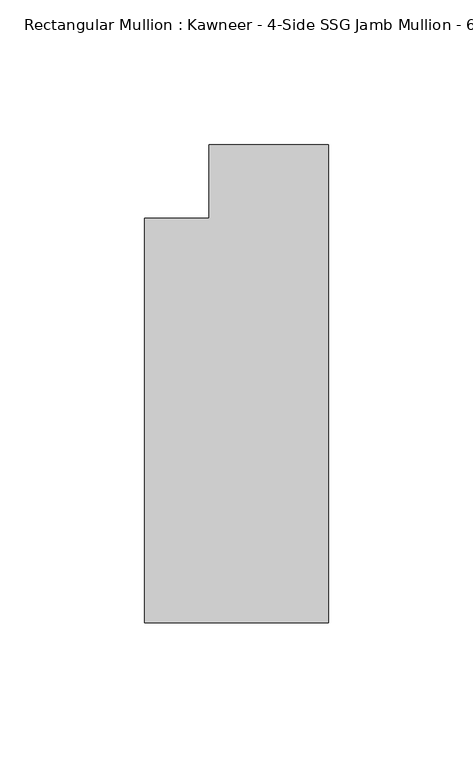
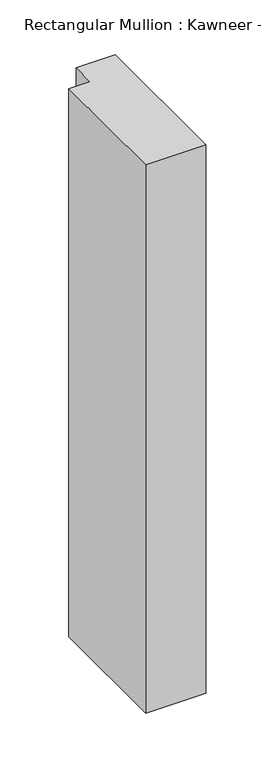
"""IFC4 building model written with IfcOpenShell, lengths in millimetres: member geometry."""

import ifcopenshell
import ifcopenshell.guid

model = None  # the IFC model being written
_history = None  # IfcOwnerHistory: only IFC2X3 demands one
_inside = {}  # id of a spatial element -> (the spatial element, [elements in it])
_under = {}  # id of a project, library or spatial element -> (it, [spatial elements below it])
_declared = {}  # id of a project -> (the project, [libraries it declares])
_typed = {}  # id of a type object -> (the type object, [elements of that type])
_made_of = {}  # id of a material, layer set ... -> (it, [elements and type objects made of it])


def new_model(schema):
    """Start an empty IFC model of exactly this schema.

    Asked for "IFC4X3", IfcOpenShell would pick the latest addendum, in which some entities
    have other attributes; the version numbers below select the first issue.
    IFC2X3 requires an IfcOwnerHistory on every rooted entity: one is made here for all.
    """
    global model, _history
    if schema == "IFC4X3":
        model = ifcopenshell.file(schema_version=(4, 3, 0, 0))
    else:
        model = ifcopenshell.file(schema=schema)
    _inside.clear()
    _under.clear()
    _declared.clear()
    _typed.clear()
    _made_of.clear()
    _history = None
    if model.schema == "IFC2X3":
        org = make("IfcOrganization", Name="unknown")
        user = make(
            "IfcPersonAndOrganization",
            ThePerson=make("IfcPerson", FamilyName="unknown"),
            TheOrganization=org,
        )
        app = make(
            "IfcApplication",
            ApplicationDeveloper=org,
            Version="unknown",
            ApplicationFullName="unknown",
            ApplicationIdentifier="unknown",
        )
        _history = make(
            "IfcOwnerHistory",
            OwningUser=user,
            OwningApplication=app,
            ChangeAction="ADDED",
            CreationDate=0,
        )
    return model


def make(cls, **values):
    """One entity of the class cls with the attributes given. An attribute that is None is left unset."""
    return model.create_entity(
        cls, **{name: value for name, value in values.items() if value is not None}
    )


def rooted(cls, **values):
    """An entity with a GlobalId (a new one), such as an element, a storey or a relation."""
    return make(cls, GlobalId=ifcopenshell.guid.new(), OwnerHistory=_history, **values)


def si_unit(unit_type, name, prefix=None):
    """IfcSIUnit, for example si_unit("LENGTHUNIT", "METRE", prefix="MILLI")."""
    return make("IfcSIUnit", UnitType=unit_type, Prefix=prefix, Name=name)


def assignment(units):
    """IfcUnitAssignment: the units of a project."""
    return None if units is None else make("IfcUnitAssignment", Units=units)


def point(xyz):
    """IfcCartesianPoint."""
    return None if xyz is None else make("IfcCartesianPoint", Coordinates=xyz)


def direction(xyz):
    """IfcDirection."""
    return None if xyz is None else make("IfcDirection", DirectionRatios=xyz)


def frame(location, z_axis=None, x_axis=None):
    """IfcAxis2Placement3D, a coordinate frame: its origin and axes. An axis left out is left unset."""
    return make(
        "IfcAxis2Placement3D",
        Location=point(location),
        Axis=direction(z_axis),
        RefDirection=direction(x_axis),
    )


def origin():
    """The frame at (0, 0, 0) with its axes left unset."""
    return frame((0.0, 0.0, 0.0))


def place(relative_to, where):
    """IfcLocalPlacement: puts the frame where relative to a parent placement (None: the world)."""
    return make(
        "IfcLocalPlacement", PlacementRelTo=relative_to, RelativePlacement=where
    )


def context(
    kind, dimensions, precision=None, world=None, true_north=None, identifier=None
):
    """IfcGeometricRepresentationContext, for example the 3D "Model" context."""
    return make(
        "IfcGeometricRepresentationContext",
        ContextIdentifier=identifier,
        ContextType=kind,
        CoordinateSpaceDimension=dimensions,
        Precision=precision,
        WorldCoordinateSystem=world,
        TrueNorth=true_north,
    )


def project(units=None, contexts=None):
    """IfcProject with its units and contexts."""
    return rooted(
        "IfcProject",
        Name="project",
        RepresentationContexts=contexts,
        UnitsInContext=assignment(units),
    )


def spatial(cls, under=None, at=None, **own):
    """A site, building, storey or space (cls), placed at a placement, below another one or the project."""
    s = rooted(cls, ObjectPlacement=at, **own)
    if under is not None:
        _under.setdefault(under.id(), (under, []))[1].append(s)
    return s


def polyline(points):
    """IfcPolyline through the points."""
    return make("IfcPolyline", Points=[point(p) for p in points])


def outline(outer, holes=None, kind="AREA"):
    """IfcArbitraryClosedProfileDef: a profile drawn as a closed curve; with holes, ...WithVoids."""
    if holes is None:
        return make("IfcArbitraryClosedProfileDef", ProfileType=kind, OuterCurve=outer)
    return make(
        "IfcArbitraryProfileDefWithVoids",
        ProfileType=kind,
        OuterCurve=outer,
        InnerCurves=holes,
    )


def extrude(swept, where, along, depth):
    """IfcExtrudedAreaSolid: the profile swept, set in the frame where, extruded along a direction by depth."""
    return make(
        "IfcExtrudedAreaSolid",
        SweptArea=swept,
        Position=where,
        ExtrudedDirection=direction(along),
        Depth=depth,
    )


def shape(context_of_items, identifier, shape_type, items):
    """IfcShapeRepresentation: the items that make up one representation, for example the "Body"."""
    return make(
        "IfcShapeRepresentation",
        ContextOfItems=context_of_items,
        RepresentationIdentifier=identifier,
        RepresentationType=shape_type,
        Items=items,
    )


def source(mapping_origin, context_of_items, identifier, shape_type, items):
    """IfcRepresentationMap: a shape defined once, which mapped items show again and again."""
    return make(
        "IfcRepresentationMap",
        MappingOrigin=mapping_origin,
        MappedRepresentation=shape(context_of_items, identifier, shape_type, items),
    )


def transform(
    local_origin,
    x_axis=None,
    y_axis=None,
    z_axis=None,
    scale=None,
    scale2=None,
    scale3=None,
    uniform=True,
):
    """IfcCartesianTransformationOperator3D, or its non-uniform kind. x_axis, y_axis, z_axis: its Axis1, 2, 3."""
    if uniform:
        return make(
            "IfcCartesianTransformationOperator3D",
            Axis1=direction(x_axis),
            Axis2=direction(y_axis),
            LocalOrigin=point(local_origin),
            Scale=scale,
            Axis3=direction(z_axis),
        )
    return make(
        "IfcCartesianTransformationOperator3DnonUniform",
        Axis1=direction(x_axis),
        Axis2=direction(y_axis),
        LocalOrigin=point(local_origin),
        Scale=scale,
        Axis3=direction(z_axis),
        Scale2=scale2,
        Scale3=scale3,
    )


def mapped(mapping_source, mapping_target):
    """IfcMappedItem: shows the shape of a source again, moved by a transform."""
    return make(
        "IfcMappedItem", MappingSource=mapping_source, MappingTarget=mapping_target
    )


def made_of(thing, what):
    """Note that an element or type object is made of a material, layer set ...; save() writes the relation."""
    if what is not None:
        _made_of.setdefault(what.id(), (what, []))[1].append(thing)
    return thing


def element(
    cls,
    number,
    at=None,
    inside=None,
    cuts=None,
    type_object=None,
    material=None,
    context=None,
    identifier="Body",
    shape_type=None,
    held_by="IfcProductDefinitionShape",
    body=None,
    shapes=None,
    **own,
):
    """One element of the class cls, such as IfcWall. Its Tag is "e" and its number.

    at: its placement. inside: the storey or other place that contains it. cuts: it is an
    opening in that element (IfcRelVoidsElement). A single representation is given by context,
    identifier, shape_type and body (its items); several are given by shapes. held_by: the class
    of the entity that holds the representations. save() writes the other relations.
    """
    e = rooted(cls, Tag="e%d" % number, ObjectPlacement=at, **own)
    if body is not None:
        shapes = [shape(context, identifier, shape_type, body)]
    if shapes is not None:
        e.Representation = make(held_by, Representations=shapes)
    if inside is not None:
        _inside.setdefault(inside.id(), (inside, []))[1].append(e)
    if cuts is not None:
        rooted(
            "IfcRelVoidsElement", RelatingBuildingElement=cuts, RelatedOpeningElement=e
        )
    if type_object is not None:
        _typed.setdefault(type_object.id(), (type_object, []))[1].append(e)
    return made_of(e, material)


def aggregate(whole, parts):
    """IfcRelAggregates: a whole, such as a stair, and the parts it consists of."""
    return rooted("IfcRelAggregates", RelatingObject=whole, RelatedObjects=parts)


def save(model, path):
    """Write the relations noted so far, then the file.

    IfcRelAggregates (storeys below a building ...), IfcRelContainedInSpatialStructure (elements
    in a storey), IfcRelDefinesByType, IfcRelAssociatesMaterial and IfcRelDeclares: one each for
    every whole, place, type object, material and project.
    """
    for whole, parts in _under.values():
        aggregate(whole, parts)
    for where, things in _inside.values():
        rooted(
            "IfcRelContainedInSpatialStructure",
            RelatedElements=things,
            RelatingStructure=where,
        )
    for kind, things in _typed.values():
        rooted("IfcRelDefinesByType", RelatedObjects=things, RelatingType=kind)
    for what, things in _made_of.values():
        rooted("IfcRelAssociatesMaterial", RelatedObjects=things, RelatingMaterial=what)
    for by, libraries in _declared.values():
        rooted("IfcRelDeclares", RelatingContext=by, RelatedDefinitions=libraries)
    model.write(path)


def member_b2e6bb05(model_context):
    return source(origin(), model_context, "Body", "SweptSolid", [
        extrude(outline(polyline([(0.0, -152.399995), (-63.5, -152.399995), (-63.5, -12.7), (-41.2751132, -12.7), (-41.2751132, 12.7), (0.0, 12.7), (0.0, -152.399995)])), frame((0.0, 0.0, -609.6), z_axis=(0.0, 0.0, 1.0), x_axis=(1.0, 0.0, 0.0)), (0.0, 0.0, 1.0), 609.6),
    ])


if __name__ == "__main__":
    model = new_model("IFC4")
    model_context = context("Model", 3, world=origin())
    ifc_project = project(units=[si_unit("LENGTHUNIT", "METRE", prefix="MILLI")], contexts=[model_context])
    site = spatial("IfcSite", under=ifc_project)
    building = spatial("IfcBuilding", under=site)
    placement = place(None, origin())
    member_shape = member_b2e6bb05(model_context)
    element("IfcMember", 1, ObjectType="Rectangular Mullion : Kawneer - 4-Side SSG Jamb Mullion - 6 1/2\" - Left", at=placement, inside=building, context=model_context, shape_type="MappedRepresentation", body=[
        mapped(member_shape, transform((0.0, 0.0, 0.0), x_axis=(1.0, 0.0, 0.0), y_axis=(0.0, 1.0, 0.0), z_axis=(0.0, 0.0, 1.0))),
    ])
    save(model, "model.ifc")
